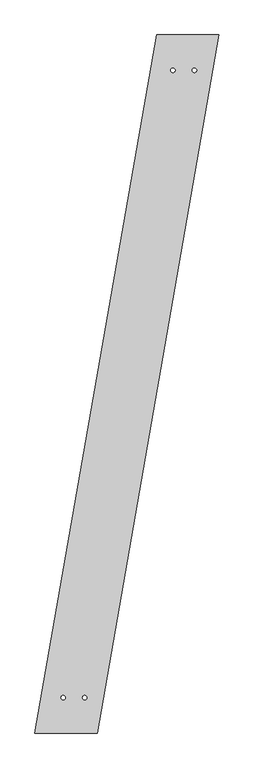
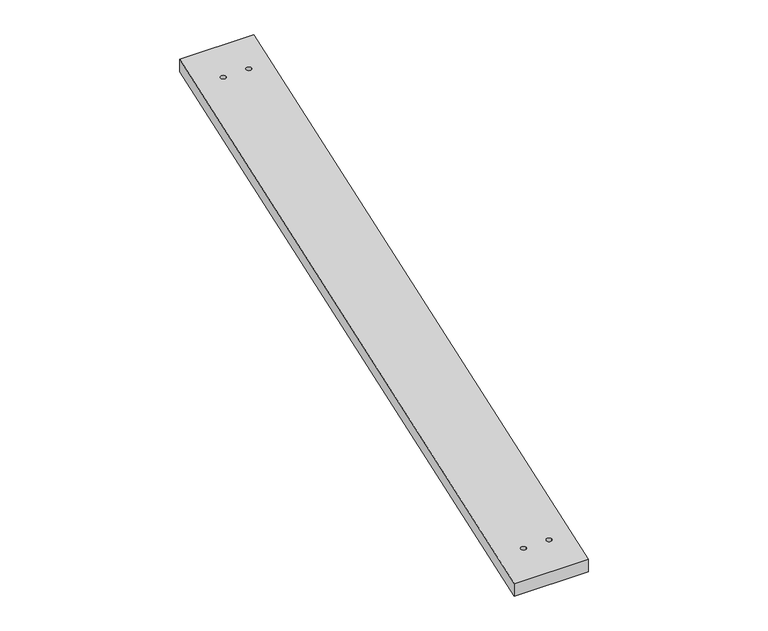
"""IFC4 building model written with IfcOpenShell, lengths in millimetres: proxy geometry."""

from ifc_helpers import new_model, si_unit, point, frame_2d, origin, origin_with_axes, place, context, project, spatial, polyline, circle_curve, trimmed, segment, composite_curve, outline, extrude, source, transform, mapped, element, save


def generic_models_4d5d9f9d(model_context):
    return source(origin(), model_context, "Body", "SweptSolid", [
        extrude(outline(polyline([(548.4538299, 3142.4987504), (828.4538299, 3142.4987504), (280.0, 0.0), (0.0, 0.0), (548.4538299, 3142.4987504)]), holes=[composite_curve([segment(trimmed(circle_curve(frame_2d((620.8811742, 2982.9987504)), 10.0), [point((610.8811742, 2982.9987504))], [point((630.8811742, 2982.9987504))], True, "CARTESIAN"), True, "CONTINUOUS"), segment(trimmed(circle_curve(frame_2d((620.8811742, 2982.9987504)), 10.0), [point((630.8811742, 2982.9987504))], [point((610.8811742, 2982.9987504))], True, "CARTESIAN"), True, "CONTINUOUS")], self_intersect=False), composite_curve([segment(trimmed(circle_curve(frame_2d((717.6084469, 2982.9987504)), 10.0), [point((707.6084469, 2982.9987504))], [point((727.6084469, 2982.9987504))], True, "CARTESIAN"), True, "CONTINUOUS"), segment(trimmed(circle_curve(frame_2d((717.6084469, 2982.9987504)), 10.0), [point((727.6084469, 2982.9987504))], [point((707.6084469, 2982.9987504))], True, "CARTESIAN"), True, "CONTINUOUS")], self_intersect=False), composite_curve([segment(trimmed(circle_curve(frame_2d((127.2727273, 159.5)), 10.0), [point((117.2727273, 159.5))], [point((137.2727273, 159.5))], True, "CARTESIAN"), True, "CONTINUOUS"), segment(trimmed(circle_curve(frame_2d((127.2727273, 159.5)), 10.0), [point((137.2727273, 159.5))], [point((117.2727273, 159.5))], True, "CARTESIAN"), True, "CONTINUOUS")], self_intersect=False), composite_curve([segment(trimmed(circle_curve(frame_2d((224.0, 159.5)), 10.0), [point((214.0, 159.5))], [point((234.0, 159.5))], True, "CARTESIAN"), True, "CONTINUOUS"), segment(trimmed(circle_curve(frame_2d((224.0, 159.5)), 10.0), [point((234.0, 159.5))], [point((214.0, 159.5))], True, "CARTESIAN"), True, "CONTINUOUS")], self_intersect=False)]), origin_with_axes(), (0.0, 0.0, 1.0), 50.0),
    ])


if __name__ == "__main__":
    model = new_model("IFC4")
    model_context = context("Model", 3, world=origin())
    ifc_project = project(units=[si_unit("LENGTHUNIT", "METRE", prefix="MILLI")], contexts=[model_context])
    site = spatial("IfcSite", under=ifc_project)
    building = spatial("IfcBuilding", under=site)
    placement = place(None, origin())
    generic_models_shape = generic_models_4d5d9f9d(model_context)
    element("IfcBuildingElementProxy", 1, Name="Generic Models", at=placement, inside=building, context=model_context, shape_type="MappedRepresentation", body=[
        mapped(generic_models_shape, transform((0.0, 0.0, 0.0), x_axis=(1.0, 0.0, 0.0), y_axis=(0.0, 1.0, 0.0), z_axis=(0.0, 0.0, 1.0))),
    ])
    save(model, "model.ifc")
